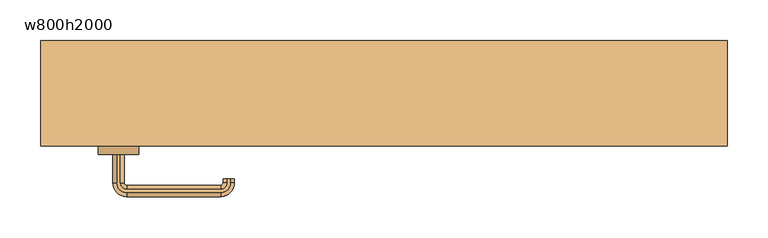
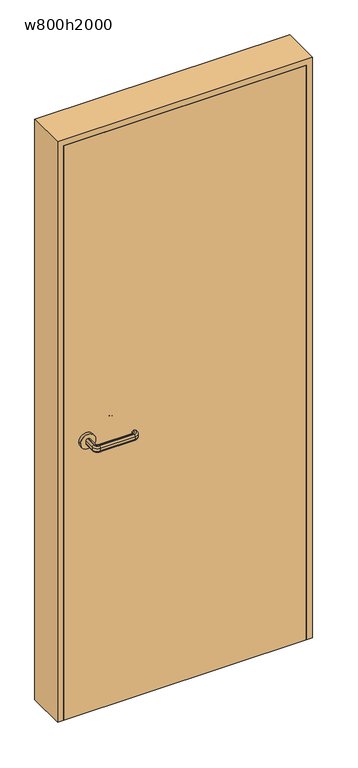
"""IFC4 building model written with IfcOpenShell, lengths in millimetres: door geometry, w800h2000."""

from ifc_helpers import new_model, si_unit, point, frame, frame_2d, origin, origin_with_axes, place, context, project, spatial, polyline, circle_curve, ellipse_curve, trimmed, segment, composite_curve, outline, extrude, source, transform, mapped, element, save
from ifc_brep_helpers import plane_surface, cylinder_surface, revolved_surface, advanced_brep


def w800h2000_a6bf7241(model_context):
    return source(origin(), model_context, "Body", "SolidModel", [
        advanced_brep(
        [(-327.0, -74.5, 960.0), (-323.0, -74.5, 960.0), (-318.0, -74.5, 955.0), (-318.0, -74.5, 945.0477623), (-323.0, -74.5, 940.0477623), (-327.0, -74.5, 940.0477623), (-332.0, -74.5, 945.0477623), (-332.0, -74.5, 955.0), (-332.0, -109.5, 955.0), (-327.0, -109.5, 960.0), (-332.0, -109.5, 945.0477623), (-327.0, -109.5, 940.0477623), (-323.0, -109.5, 940.0477623), (-315.0, -117.5, 940.0477623), (-200.0, -117.5, 940.0477623), (-192.0, -109.5, 940.0477623), (-192.0, -104.5, 940.0477623), (-188.0, -104.5, 940.0477623), (-188.0, -109.5, 940.0477623), (-200.0, -121.5, 940.0477623), (-315.0, -121.5, 940.0477623), (-318.0, -109.5, 945.0477623), (-318.0, -109.5, 955.0), (-323.0, -109.5, 960.0), (-315.0, -121.5, 960.0), (-200.0, -121.5, 960.0), (-188.0, -109.5, 960.0), (-188.0, -104.5, 960.0), (-192.0, -104.5, 960.0), (-192.0, -109.5, 960.0), (-200.0, -117.5, 960.0), (-315.0, -117.5, 960.0), (-315.0, -126.5, 955.0), (-315.0, -126.5, 945.0477623), (-315.0, -112.5, 945.0477623), (-315.0, -112.5, 955.0), (-200.0, -126.5, 955.0), (-200.0, -126.5, 945.0477623), (-200.0, -112.5, 945.0477623), (-200.0, -112.5, 955.0), (-183.0, -109.5, 955.0), (-183.0, -109.5, 945.0477623), (-197.0, -109.5, 945.0477623), (-197.0, -109.5, 955.0), (-183.0, -104.5, 955.0), (-183.0, -104.5, 945.0477623), (-197.0, -104.5, 945.0477623), (-197.0, -104.5, 955.0)],
        [
            (0, 1),
            (1, 2, circle_curve(frame((-323.0, -74.5, 955.0), z_axis=(0.0, 1.0, 0.0), x_axis=(-1.0, 0.0, 0.0)), 5.0)),
            (2, 3),
            (3, 4, circle_curve(frame((-323.0, -74.5, 945.0477623), z_axis=(0.0, 1.0, 0.0), x_axis=(-1.0, 0.0, 0.0)), 5.0)),
            (4, 5),
            (5, 6, circle_curve(frame((-327.0, -74.5, 945.0477623), z_axis=(0.0, 1.0, 0.0), x_axis=(-1.0, 0.0, 0.0)), 5.0)),
            (6, 7),
            (7, 0, circle_curve(frame((-327.0, -74.5, 955.0), z_axis=(0.0, 1.0, 0.0), x_axis=(-1.0, 0.0, 0.0)), 5.0)),
            (7, 8),
            (8, 9, circle_curve(frame((-327.0, -109.5, 955.0), z_axis=(0.0, 1.0, 0.0), x_axis=(-1.0, 0.0, 0.0)), 5.0)),
            (9, 0),
            (6, 10),
            (10, 8),
            (5, 11),
            (11, 10, circle_curve(frame((-327.0, -109.5, 945.0477623), z_axis=(0.0, 1.0, 0.0), x_axis=(-1.0, 0.0, 0.0)), 5.0)),
            (4, 12),
            (12, 13, circle_curve(frame((-315.0, -109.5, 940.0477623), z_axis=(0.0, 0.0, 1.0), x_axis=(-1.0, 0.0, 0.0)), 8.0)),
            (13, 14),
            (14, 15, circle_curve(frame((-200.0, -109.5, 940.0477623), z_axis=(0.0, 0.0, 1.0), x_axis=(0.0, -1.0, 0.0)), 8.0)),
            (15, 16),
            (16, 17),
            (17, 18),
            (18, 19, circle_curve(frame((-200.0, -109.5, 940.0477623), z_axis=(0.0, 0.0, -1.0), x_axis=(0.0, -1.0, 0.0)), 12.0)),
            (19, 20),
            (20, 11, circle_curve(frame((-315.0, -109.5, 940.0477623), z_axis=(0.0, 0.0, -1.0), x_axis=(-1.0, 0.0, 0.0)), 12.0)),
            (3, 21),
            (21, 12, circle_curve(frame((-323.0, -109.5, 945.0477623), z_axis=(0.0, 1.0, 0.0), x_axis=(-1.0, 0.0, 0.0)), 5.0)),
            (2, 22),
            (22, 21),
            (1, 23),
            (23, 22, circle_curve(frame((-323.0, -109.5, 955.0), z_axis=(0.0, 1.0, 0.0), x_axis=(-1.0, 0.0, 0.0)), 5.0)),
            (9, 24, circle_curve(frame((-315.0, -109.5, 960.0), z_axis=(0.0, 0.0, 1.0), x_axis=(-1.0, 0.0, 0.0)), 12.0)),
            (24, 25),
            (25, 26, circle_curve(frame((-200.0, -109.5, 960.0), z_axis=(0.0, 0.0, 1.0), x_axis=(0.0, -1.0, 0.0)), 12.0)),
            (26, 27),
            (27, 28),
            (28, 29),
            (29, 30, circle_curve(frame((-200.0, -109.5, 960.0), z_axis=(0.0, 0.0, -1.0), x_axis=(0.0, -1.0, 0.0)), 8.0)),
            (30, 31),
            (31, 23, circle_curve(frame((-315.0, -109.5, 960.0), z_axis=(0.0, 0.0, -1.0), x_axis=(-1.0, 0.0, 0.0)), 8.0)),
            (32, 24, circle_curve(frame((-315.0, -121.5, 955.0), z_axis=(-1.0, 0.0, 0.0), x_axis=(0.0, -1.0, 0.0)), 5.0)),
            (8, 32, circle_curve(frame((-315.0, -109.5, 955.0), z_axis=(0.0, 0.0, 1.0), x_axis=(-1.0, 0.0, 0.0)), 17.0)),
            (33, 32),
            (10, 33, circle_curve(frame((-315.0, -109.5, 945.0477623), z_axis=(0.0, 0.0, 1.0), x_axis=(-1.0, 0.0, 0.0)), 17.0)),
            (20, 33, circle_curve(frame((-315.0, -121.5, 945.0477623), z_axis=(-1.0, 0.0, 0.0), x_axis=(0.0, -1.0, 0.0)), 5.0)),
            (34, 13, circle_curve(frame((-315.0, -117.5, 945.0477623), z_axis=(-1.0, 0.0, 0.0), x_axis=(0.0, -1.0, 0.0)), 5.0)),
            (21, 34, circle_curve(frame((-315.0, -109.5, 945.0477623), z_axis=(0.0, 0.0, 1.0), x_axis=(-1.0, 0.0, 0.0)), 3.0)),
            (35, 34),
            (22, 35, circle_curve(frame((-315.0, -109.5, 955.0), z_axis=(0.0, 0.0, 1.0), x_axis=(-1.0, 0.0, 0.0)), 3.0)),
            (31, 35, circle_curve(frame((-315.0, -117.5, 955.0), z_axis=(-1.0, 0.0, 0.0), x_axis=(0.0, -1.0, 0.0)), 5.0)),
            (32, 36),
            (36, 25, circle_curve(frame((-200.0, -121.5, 955.0), z_axis=(-1.0, 0.0, 0.0), x_axis=(0.0, -1.0, 0.0)), 5.0)),
            (33, 37),
            (37, 36),
            (19, 37, circle_curve(frame((-200.0, -121.5, 945.0477623), z_axis=(-1.0, 0.0, 0.0), x_axis=(0.0, -1.0, 0.0)), 5.0)),
            (34, 38),
            (38, 14, circle_curve(frame((-200.0, -117.5, 945.0477623), z_axis=(-1.0, 0.0, 0.0), x_axis=(0.0, -1.0, 0.0)), 5.0)),
            (35, 39),
            (39, 38),
            (30, 39, circle_curve(frame((-200.0, -117.5, 955.0), z_axis=(-1.0, 0.0, 0.0), x_axis=(0.0, -1.0, 0.0)), 5.0)),
            (40, 26, circle_curve(frame((-188.0, -109.5, 955.0), z_axis=(0.0, -1.0, 0.0), x_axis=(1.0, 0.0, 0.0)), 5.0)),
            (36, 40, circle_curve(frame((-200.0, -109.5, 955.0), z_axis=(0.0, 0.0, 1.0), x_axis=(0.0, -1.0, 0.0)), 17.0)),
            (41, 40),
            (37, 41, circle_curve(frame((-200.0, -109.5, 945.0477623), z_axis=(0.0, 0.0, 1.0), x_axis=(0.0, -1.0, 0.0)), 17.0)),
            (18, 41, circle_curve(frame((-188.0, -109.5, 945.0477623), z_axis=(0.0, -1.0, 0.0), x_axis=(1.0, 0.0, 0.0)), 5.0)),
            (42, 15, circle_curve(frame((-192.0, -109.5, 945.0477623), z_axis=(0.0, -1.0, 0.0), x_axis=(1.0, 0.0, 0.0)), 5.0)),
            (38, 42, circle_curve(frame((-200.0, -109.5, 945.0477623), z_axis=(0.0, 0.0, 1.0), x_axis=(0.0, -1.0, 0.0)), 3.0)),
            (43, 42),
            (39, 43, circle_curve(frame((-200.0, -109.5, 955.0), z_axis=(0.0, 0.0, 1.0), x_axis=(0.0, -1.0, 0.0)), 3.0)),
            (29, 43, circle_curve(frame((-192.0, -109.5, 955.0), z_axis=(0.0, -1.0, 0.0), x_axis=(1.0, 0.0, 0.0)), 5.0)),
            (27, 44, circle_curve(frame((-188.0, -104.5, 955.0), z_axis=(0.0, 1.0, 0.0), x_axis=(1.0, 0.0, 0.0)), 5.0)),
            (44, 45),
            (45, 17, circle_curve(frame((-188.0, -104.5, 945.0477623), z_axis=(0.0, 1.0, 0.0), x_axis=(1.0, 0.0, 0.0)), 5.0)),
            (16, 46, circle_curve(frame((-192.0, -104.5, 945.0477623), z_axis=(0.0, 1.0, 0.0), x_axis=(1.0, 0.0, 0.0)), 5.0)),
            (46, 47),
            (47, 28, circle_curve(frame((-192.0, -104.5, 955.0), z_axis=(0.0, 1.0, 0.0), x_axis=(1.0, 0.0, 0.0)), 5.0)),
            (40, 44),
            (41, 45),
            (42, 46),
            (43, 47),
        ],
        [
            plane_surface(frame((-335.198039, -74.5, 950.0), z_axis=(0.0, 1.0, 0.0), x_axis=(0.0, 0.0, 1.0))),
            cylinder_surface(frame((-327.0, -74.5, 955.0), z_axis=(0.0, 1.0, 0.0), x_axis=(-1.0, 0.0, 0.0)), 5.0),
            plane_surface(frame((-332.0, -74.5, 955.0), z_axis=(-1.0, 0.0, 0.0), x_axis=(0.0, -1.0, 0.0))),
            cylinder_surface(frame((-327.0, -74.5, 945.0477623), z_axis=(0.0, 1.0, 0.0), x_axis=(-1.0, 0.0, 0.0)), 5.0),
            plane_surface(frame((-327.0, -74.5, 940.0477623), z_axis=(0.0, 0.0, -1.0), x_axis=(0.0, -1.0, 0.0))),
            cylinder_surface(frame((-323.0, -74.5, 945.0477623), z_axis=(0.0, 1.0, 0.0), x_axis=(-1.0, 0.0, 0.0)), 5.0),
            plane_surface(frame((-318.0, -74.5, 945.0477623), z_axis=(1.0, 0.0, 0.0), x_axis=(0.0, -1.0, 0.0))),
            cylinder_surface(frame((-323.0, -74.5, 955.0), z_axis=(0.0, 1.0, 0.0), x_axis=(-1.0, 0.0, 0.0)), 5.0),
            plane_surface(frame((-323.0, -74.5, 960.0), z_axis=(0.0, 0.0, 1.0), x_axis=(0.0, -1.0, 0.0))),
            revolved_surface(trimmed(ellipse_curve(frame((-327.0, -109.5, 955.0), z_axis=(0.0, -1.0, 0.0), x_axis=(-1.0, 0.0, 0.0)), 5.0, 5.0), [point((-327.0, -109.5, 960.0))], [point((-332.0, -109.5, 955.0))], True, "CARTESIAN"), (-315.0, -109.5, 950.0), (0.0, 0.0, -1.0)),
            cylinder_surface(frame((-315.0, -109.5, 950.0), z_axis=(0.0, 0.0, -1.0), x_axis=(-1.0, 0.0, 0.0)), 17.0),
            revolved_surface(trimmed(ellipse_curve(frame((-327.0, -109.5, 945.0477623), z_axis=(0.0, -1.0, 0.0), x_axis=(-1.0, 0.0, 0.0)), 5.0, 5.0), [point((-332.0, -109.5, 945.0477623))], [point((-327.0, -109.5, 940.0477623))], True, "CARTESIAN"), (-315.0, -109.5, 950.0), (0.0, 0.0, -1.0)),
            revolved_surface(trimmed(ellipse_curve(frame((-323.0, -109.5, 945.0477623), z_axis=(0.0, -1.0, 0.0), x_axis=(-1.0, 0.0, 0.0)), 5.0, 5.0), [point((-323.0, -109.5, 940.0477623))], [point((-318.0, -109.5, 945.0477623))], True, "CARTESIAN"), (-315.0, -109.5, 950.0), (0.0, 0.0, -1.0)),
            revolved_surface(polyline([(-318.0, -109.5, 945.0477623), (-318.0, -109.5, 955.0)]), (-315.0, -109.5, 950.0), (0.0, 0.0, -1.0)),
            revolved_surface(trimmed(ellipse_curve(frame((-323.0, -109.5, 955.0), z_axis=(0.0, -1.0, 0.0), x_axis=(-1.0, 0.0, 0.0)), 5.0, 5.0), [point((-318.0, -109.5, 955.0))], [point((-323.0, -109.5, 960.0))], True, "CARTESIAN"), (-315.0, -109.5, 950.0), (0.0, 0.0, -1.0)),
            cylinder_surface(frame((-315.0, -121.5, 955.0), z_axis=(-1.0, 0.0, 0.0), x_axis=(0.0, -1.0, 0.0)), 5.0),
            plane_surface(frame((-315.0, -126.5, 955.0), z_axis=(0.0, -1.0, 0.0), x_axis=(1.0, 0.0, 0.0))),
            cylinder_surface(frame((-315.0, -121.5, 945.0477623), z_axis=(-1.0, 0.0, 0.0), x_axis=(0.0, -1.0, 0.0)), 5.0),
            cylinder_surface(frame((-315.0, -117.5, 945.0477623), z_axis=(-1.0, 0.0, 0.0), x_axis=(0.0, -1.0, 0.0)), 5.0),
            plane_surface(frame((-315.0, -112.5, 945.0477623), z_axis=(0.0, 1.0, 0.0), x_axis=(1.0, 0.0, 0.0))),
            cylinder_surface(frame((-315.0, -117.5, 955.0), z_axis=(-1.0, 0.0, 0.0), x_axis=(0.0, -1.0, 0.0)), 5.0),
            revolved_surface(trimmed(ellipse_curve(frame((-200.0, -121.5, 955.0), z_axis=(1.0, 0.0, 0.0), x_axis=(0.0, -1.0, 0.0)), 5.0, 5.0), [point((-200.0, -121.5, 960.0))], [point((-200.0, -126.5, 955.0))], True, "CARTESIAN"), (-200.0, -109.5, 950.0), (0.0, 0.0, -1.0)),
            cylinder_surface(frame((-200.0, -109.5, 950.0), z_axis=(0.0, 0.0, -1.0), x_axis=(0.0, -1.0, 0.0)), 17.0),
            revolved_surface(trimmed(ellipse_curve(frame((-200.0, -121.5, 945.0477623), z_axis=(1.0, 0.0, 0.0), x_axis=(0.0, -1.0, 0.0)), 5.0, 5.0), [point((-200.0, -126.5, 945.0477623))], [point((-200.0, -121.5, 940.0477623))], True, "CARTESIAN"), (-200.0, -109.5, 950.0), (0.0, 0.0, -1.0)),
            revolved_surface(trimmed(ellipse_curve(frame((-200.0, -117.5, 945.0477623), z_axis=(1.0, 0.0, 0.0), x_axis=(0.0, -1.0, 0.0)), 5.0, 5.0), [point((-200.0, -117.5, 940.0477623))], [point((-200.0, -112.5, 945.0477623))], True, "CARTESIAN"), (-200.0, -109.5, 950.0), (0.0, 0.0, -1.0)),
            revolved_surface(polyline([(-200.0, -112.5, 945.0477623), (-200.0, -112.5, 955.0)]), (-200.0, -109.5, 950.0), (0.0, 0.0, -1.0)),
            revolved_surface(trimmed(ellipse_curve(frame((-200.0, -117.5, 955.0), z_axis=(1.0, 0.0, 0.0), x_axis=(0.0, -1.0, 0.0)), 5.0, 5.0), [point((-200.0, -112.5, 955.0))], [point((-200.0, -117.5, 960.0))], True, "CARTESIAN"), (-200.0, -109.5, 950.0), (0.0, 0.0, -1.0)),
            plane_surface(frame((-200.198039, -104.5, 950.0), z_axis=(0.0, 1.0, 0.0), x_axis=(0.0, 0.0, -1.0))),
            cylinder_surface(frame((-188.0, -109.5, 955.0), z_axis=(0.0, -1.0, 0.0), x_axis=(1.0, 0.0, 0.0)), 5.0),
            plane_surface(frame((-183.0, -109.5, 955.0), z_axis=(1.0, 0.0, 0.0), x_axis=(0.0, 1.0, 0.0))),
            cylinder_surface(frame((-188.0, -109.5, 945.0477623), z_axis=(0.0, -1.0, 0.0), x_axis=(1.0, 0.0, 0.0)), 5.0),
            cylinder_surface(frame((-192.0, -109.5, 945.0477623), z_axis=(0.0, -1.0, 0.0), x_axis=(1.0, 0.0, 0.0)), 5.0),
            plane_surface(frame((-197.0, -109.5, 945.0477623), z_axis=(-1.0, 0.0, 0.0), x_axis=(0.0, 1.0, 0.0))),
            cylinder_surface(frame((-192.0, -109.5, 955.0), z_axis=(0.0, -1.0, 0.0), x_axis=(1.0, 0.0, 0.0)), 5.0),
        ],
        [
            (0, [[1, 2, 3, 4, 5, 6, 7, 8]]),
            (1, [[9, 10, 11, -8]]),
            (2, [[12, 13, -9, -7]]),
            (3, [[14, 15, -12, -6]]),
            (4, [[16, 17, 18, 19, 20, 21, 22, 23, 24, 25, -14, -5]]),
            (5, [[26, 27, -16, -4]]),
            (6, [[28, 29, -26, -3]]),
            (7, [[30, 31, -28, -2]]),
            (8, [[-11, 32, 33, 34, 35, 36, 37, 38, 39, 40, -30, -1]]),
            (9, [[41, -32, -10, 42]]),
            (10, [[43, -42, -13, 44]]),
            (11, [[45, -44, -15, -25]]),
            (12, [[46, -17, -27, 47]]),
            (13, [[48, -47, -29, 49]]),
            (14, [[50, -49, -31, -40]]),
            (15, [[51, 52, -33, -41]]),
            (16, [[53, 54, -51, -43]]),
            (17, [[-24, 55, -53, -45]]),
            (18, [[56, 57, -18, -46]]),
            (19, [[58, 59, -56, -48]]),
            (20, [[-39, 60, -58, -50]]),
            (21, [[61, -34, -52, 62]]),
            (22, [[63, -62, -54, 64]]),
            (23, [[65, -64, -55, -23]]),
            (24, [[66, -19, -57, 67]]),
            (25, [[68, -67, -59, 69]]),
            (26, [[70, -69, -60, -38]]),
            (27, [[71, 72, 73, -21, 74, 75, 76, -36]]),
            (28, [[77, -71, -35, -61]]),
            (29, [[78, -72, -77, -63]]),
            (30, [[-22, -73, -78, -65]]),
            (31, [[79, -74, -20, -66]]),
            (32, [[80, -75, -79, -68]]),
            (33, [[-37, -76, -80, -70]]),
        ],
    ),
        advanced_brep(
        [(-323.0, -24.5, 940.0), (-318.0, -24.5, 945.0), (-318.0, -24.5, 955.0), (-323.0, -24.5, 960.0), (-327.0, -24.5, 960.0), (-332.0, -24.5, 955.0), (-332.0, -24.5, 945.0), (-327.0, -24.5, 940.0), (-327.0, 10.5, 940.0), (-315.0, 22.5, 940.0), (-200.0, 22.5, 940.0), (-188.0, 10.5, 940.0), (-188.0, 5.5, 940.0), (-192.0, 5.5, 940.0), (-192.0, 10.5, 940.0), (-200.0, 18.5, 940.0), (-315.0, 18.5, 940.0), (-323.0, 10.5, 940.0), (-332.0, 10.5, 945.0), (-332.0, 10.5, 955.0), (-327.0, 10.5, 960.0), (-323.0, 10.5, 960.0), (-315.0, 18.5, 960.0), (-200.0, 18.5, 960.0), (-192.0, 10.5, 960.0), (-192.0, 5.5, 960.0), (-188.0, 5.5, 960.0), (-188.0, 10.5, 960.0), (-200.0, 22.5, 960.0), (-315.0, 22.5, 960.0), (-318.0, 10.5, 955.0), (-318.0, 10.5, 945.0), (-315.0, 27.5, 945.0), (-315.0, 27.5, 955.0), (-315.0, 13.5, 955.0), (-315.0, 13.5, 945.0), (-200.0, 27.5, 945.0), (-200.0, 27.5, 955.0), (-200.0, 13.5, 955.0), (-200.0, 13.5, 945.0), (-183.0, 10.5, 945.0), (-183.0, 10.5, 955.0), (-197.0, 10.5, 955.0), (-197.0, 10.5, 945.0), (-183.0, 5.5, 945.0), (-183.0, 5.5, 955.0), (-197.0, 5.5, 955.0), (-197.0, 5.5, 945.0)],
        [
            (0, 1, circle_curve(frame((-323.0, -24.5, 945.0), z_axis=(0.0, -1.0, 0.0), x_axis=(1.0, 0.0, 0.0)), 5.0)),
            (1, 2),
            (2, 3, circle_curve(frame((-323.0, -24.5, 955.0), z_axis=(0.0, -1.0, 0.0), x_axis=(1.0, 0.0, 0.0)), 5.0)),
            (3, 4),
            (4, 5, circle_curve(frame((-327.0, -24.5, 955.0), z_axis=(0.0, -1.0, 0.0), x_axis=(1.0, 0.0, 0.0)), 5.0)),
            (5, 6),
            (6, 7, circle_curve(frame((-327.0, -24.5, 945.0), z_axis=(0.0, -1.0, 0.0), x_axis=(1.0, 0.0, 0.0)), 5.0)),
            (7, 0),
            (7, 8),
            (8, 9, circle_curve(frame((-315.0, 10.5, 940.0), z_axis=(0.0, 0.0, -1.0), x_axis=(-1.0, 0.0, 0.0)), 12.0)),
            (9, 10),
            (10, 11, circle_curve(frame((-200.0, 10.5, 940.0), z_axis=(0.0, 0.0, -1.0), x_axis=(0.0, 1.0, 0.0)), 12.0)),
            (11, 12),
            (12, 13),
            (13, 14),
            (14, 15, circle_curve(frame((-200.0, 10.5, 940.0), z_axis=(0.0, 0.0, 1.0), x_axis=(0.0, 1.0, 0.0)), 8.0)),
            (15, 16),
            (16, 17, circle_curve(frame((-315.0, 10.5, 940.0), z_axis=(0.0, 0.0, 1.0), x_axis=(-1.0, 0.0, 0.0)), 8.0)),
            (17, 0),
            (6, 18),
            (18, 8, circle_curve(frame((-327.0, 10.5, 945.0), z_axis=(0.0, -1.0, 0.0), x_axis=(1.0, 0.0, 0.0)), 5.0)),
            (5, 19),
            (19, 18),
            (4, 20),
            (20, 19, circle_curve(frame((-327.0, 10.5, 955.0), z_axis=(0.0, -1.0, 0.0), x_axis=(1.0, 0.0, 0.0)), 5.0)),
            (3, 21),
            (21, 22, circle_curve(frame((-315.0, 10.5, 960.0), z_axis=(0.0, 0.0, -1.0), x_axis=(-1.0, 0.0, 0.0)), 8.0)),
            (22, 23),
            (23, 24, circle_curve(frame((-200.0, 10.5, 960.0), z_axis=(0.0, 0.0, -1.0), x_axis=(0.0, 1.0, 0.0)), 8.0)),
            (24, 25),
            (25, 26),
            (26, 27),
            (27, 28, circle_curve(frame((-200.0, 10.5, 960.0), z_axis=(0.0, 0.0, 1.0), x_axis=(0.0, 1.0, 0.0)), 12.0)),
            (28, 29),
            (29, 20, circle_curve(frame((-315.0, 10.5, 960.0), z_axis=(0.0, 0.0, 1.0), x_axis=(-1.0, 0.0, 0.0)), 12.0)),
            (2, 30),
            (30, 21, circle_curve(frame((-323.0, 10.5, 955.0), z_axis=(0.0, -1.0, 0.0), x_axis=(1.0, 0.0, 0.0)), 5.0)),
            (1, 31),
            (31, 30),
            (17, 31, circle_curve(frame((-323.0, 10.5, 945.0), z_axis=(0.0, -1.0, 0.0), x_axis=(1.0, 0.0, 0.0)), 5.0)),
            (32, 9, circle_curve(frame((-315.0, 22.5, 945.0), z_axis=(-1.0, 0.0, 0.0), x_axis=(0.0, -1.0, 0.0)), 5.0)),
            (18, 32, circle_curve(frame((-315.0, 10.5, 945.0), z_axis=(0.0, 0.0, -1.0), x_axis=(-1.0, 0.0, 0.0)), 17.0)),
            (33, 32),
            (19, 33, circle_curve(frame((-315.0, 10.5, 955.0), z_axis=(0.0, 0.0, -1.0), x_axis=(-1.0, 0.0, 0.0)), 17.0)),
            (29, 33, circle_curve(frame((-315.0, 22.5, 955.0), z_axis=(-1.0, 0.0, 0.0), x_axis=(0.0, -1.0, 0.0)), 5.0)),
            (34, 22, circle_curve(frame((-315.0, 18.5, 955.0), z_axis=(-1.0, 0.0, 0.0), x_axis=(0.0, -1.0, 0.0)), 5.0)),
            (30, 34, circle_curve(frame((-315.0, 10.5, 955.0), z_axis=(0.0, 0.0, -1.0), x_axis=(-1.0, 0.0, 0.0)), 3.0)),
            (35, 34),
            (31, 35, circle_curve(frame((-315.0, 10.5, 945.0), z_axis=(0.0, 0.0, -1.0), x_axis=(-1.0, 0.0, 0.0)), 3.0)),
            (16, 35, circle_curve(frame((-315.0, 18.5, 945.0), z_axis=(-1.0, 0.0, 0.0), x_axis=(0.0, -1.0, 0.0)), 5.0)),
            (32, 36),
            (36, 10, circle_curve(frame((-200.0, 22.5, 945.0), z_axis=(-1.0, 0.0, 0.0), x_axis=(0.0, -1.0, 0.0)), 5.0)),
            (33, 37),
            (37, 36),
            (28, 37, circle_curve(frame((-200.0, 22.5, 955.0), z_axis=(-1.0, 0.0, 0.0), x_axis=(0.0, -1.0, 0.0)), 5.0)),
            (34, 38),
            (38, 23, circle_curve(frame((-200.0, 18.5, 955.0), z_axis=(-1.0, 0.0, 0.0), x_axis=(0.0, -1.0, 0.0)), 5.0)),
            (35, 39),
            (39, 38),
            (15, 39, circle_curve(frame((-200.0, 18.5, 945.0), z_axis=(-1.0, 0.0, 0.0), x_axis=(0.0, -1.0, 0.0)), 5.0)),
            (40, 11, circle_curve(frame((-188.0, 10.5, 945.0), z_axis=(0.0, 1.0, 0.0), x_axis=(-1.0, 0.0, 0.0)), 5.0)),
            (36, 40, circle_curve(frame((-200.0, 10.5, 945.0), z_axis=(0.0, 0.0, -1.0), x_axis=(0.0, 1.0, 0.0)), 17.0)),
            (41, 40),
            (37, 41, circle_curve(frame((-200.0, 10.5, 955.0), z_axis=(0.0, 0.0, -1.0), x_axis=(0.0, 1.0, 0.0)), 17.0)),
            (27, 41, circle_curve(frame((-188.0, 10.5, 955.0), z_axis=(0.0, 1.0, 0.0), x_axis=(-1.0, 0.0, 0.0)), 5.0)),
            (42, 24, circle_curve(frame((-192.0, 10.5, 955.0), z_axis=(0.0, 1.0, 0.0), x_axis=(-1.0, 0.0, 0.0)), 5.0)),
            (38, 42, circle_curve(frame((-200.0, 10.5, 955.0), z_axis=(0.0, 0.0, -1.0), x_axis=(0.0, 1.0, 0.0)), 3.0)),
            (43, 42),
            (39, 43, circle_curve(frame((-200.0, 10.5, 945.0), z_axis=(0.0, 0.0, -1.0), x_axis=(0.0, 1.0, 0.0)), 3.0)),
            (14, 43, circle_curve(frame((-192.0, 10.5, 945.0), z_axis=(0.0, 1.0, 0.0), x_axis=(-1.0, 0.0, 0.0)), 5.0)),
            (12, 44, circle_curve(frame((-188.0, 5.5, 945.0), z_axis=(0.0, -1.0, 0.0), x_axis=(-1.0, 0.0, 0.0)), 5.0)),
            (44, 45),
            (45, 26, circle_curve(frame((-188.0, 5.5, 955.0), z_axis=(0.0, -1.0, 0.0), x_axis=(-1.0, 0.0, 0.0)), 5.0)),
            (25, 46, circle_curve(frame((-192.0, 5.5, 955.0), z_axis=(0.0, -1.0, 0.0), x_axis=(-1.0, 0.0, 0.0)), 5.0)),
            (46, 47),
            (47, 13, circle_curve(frame((-192.0, 5.5, 945.0), z_axis=(0.0, -1.0, 0.0), x_axis=(-1.0, 0.0, 0.0)), 5.0)),
            (40, 44),
            (41, 45),
            (42, 46),
            (43, 47),
        ],
        [
            plane_surface(frame((-335.198039, -24.5, 950.0), z_axis=(0.0, -1.0, 0.0), x_axis=(0.0, 0.0, -1.0))),
            plane_surface(frame((-323.0, -24.5, 940.0), z_axis=(0.0, 0.0, -1.0), x_axis=(0.0, 1.0, 0.0))),
            cylinder_surface(frame((-327.0, -24.5, 945.0), z_axis=(0.0, -1.0, 0.0), x_axis=(1.0, 0.0, 0.0)), 5.0),
            plane_surface(frame((-332.0, -24.5, 945.0), z_axis=(-1.0, 0.0, 0.0), x_axis=(0.0, 1.0, 0.0))),
            cylinder_surface(frame((-327.0, -24.5, 955.0), z_axis=(0.0, -1.0, 0.0), x_axis=(1.0, 0.0, 0.0)), 5.0),
            plane_surface(frame((-327.0, -24.5, 960.0), z_axis=(0.0, 0.0, 1.0), x_axis=(0.0, 1.0, 0.0))),
            cylinder_surface(frame((-323.0, -24.5, 955.0), z_axis=(0.0, -1.0, 0.0), x_axis=(1.0, 0.0, 0.0)), 5.0),
            plane_surface(frame((-318.0, -24.5, 955.0), z_axis=(1.0, 0.0, 0.0), x_axis=(0.0, 1.0, 0.0))),
            cylinder_surface(frame((-323.0, -24.5, 945.0), z_axis=(0.0, -1.0, 0.0), x_axis=(1.0, 0.0, 0.0)), 5.0),
            revolved_surface(trimmed(ellipse_curve(frame((-327.0, 10.5, 945.0), z_axis=(0.0, 1.0, 0.0), x_axis=(1.0, 0.0, 0.0)), 5.0, 5.0), [point((-327.0, 10.5, 940.0))], [point((-332.0, 10.5, 945.0))], True, "CARTESIAN"), (-315.0, 10.5, 950.0), (0.0, 0.0, 1.0)),
            cylinder_surface(frame((-315.0, 10.5, 950.0), z_axis=(0.0, 0.0, 1.0), x_axis=(-1.0, 0.0, 0.0)), 17.0),
            revolved_surface(trimmed(ellipse_curve(frame((-327.0, 10.5, 955.0), z_axis=(0.0, 1.0, 0.0), x_axis=(1.0, 0.0, 0.0)), 5.0, 5.0), [point((-332.0, 10.5, 955.0))], [point((-327.0, 10.5, 960.0))], True, "CARTESIAN"), (-315.0, 10.5, 950.0), (0.0, 0.0, 1.0)),
            revolved_surface(trimmed(ellipse_curve(frame((-323.0, 10.5, 955.0), z_axis=(0.0, 1.0, 0.0), x_axis=(1.0, 0.0, 0.0)), 5.0, 5.0), [point((-323.0, 10.5, 960.0))], [point((-318.0, 10.5, 955.0))], True, "CARTESIAN"), (-315.0, 10.5, 950.0), (0.0, 0.0, 1.0)),
            revolved_surface(polyline([(-318.0, 10.5, 955.0), (-318.0, 10.5, 945.0)]), (-315.0, 10.5, 950.0), (0.0, 0.0, 1.0)),
            revolved_surface(trimmed(ellipse_curve(frame((-323.0, 10.5, 945.0), z_axis=(0.0, 1.0, 0.0), x_axis=(1.0, 0.0, 0.0)), 5.0, 5.0), [point((-318.0, 10.5, 945.0))], [point((-323.0, 10.5, 940.0))], True, "CARTESIAN"), (-315.0, 10.5, 950.0), (0.0, 0.0, 1.0)),
            cylinder_surface(frame((-315.0, 22.5, 945.0), z_axis=(-1.0, 0.0, 0.0), x_axis=(0.0, -1.0, 0.0)), 5.0),
            plane_surface(frame((-315.0, 27.5, 945.0), z_axis=(0.0, 1.0, 0.0), x_axis=(1.0, 0.0, 0.0))),
            cylinder_surface(frame((-315.0, 22.5, 955.0), z_axis=(-1.0, 0.0, 0.0), x_axis=(0.0, -1.0, 0.0)), 5.0),
            cylinder_surface(frame((-315.0, 18.5, 955.0), z_axis=(-1.0, 0.0, 0.0), x_axis=(0.0, -1.0, 0.0)), 5.0),
            plane_surface(frame((-315.0, 13.5, 955.0), z_axis=(0.0, -1.0, 0.0), x_axis=(1.0, 0.0, 0.0))),
            cylinder_surface(frame((-315.0, 18.5, 945.0), z_axis=(-1.0, 0.0, 0.0), x_axis=(0.0, -1.0, 0.0)), 5.0),
            revolved_surface(trimmed(ellipse_curve(frame((-200.0, 22.5, 945.0), z_axis=(1.0, 0.0, 0.0), x_axis=(0.0, -1.0, 0.0)), 5.0, 5.0), [point((-200.0, 22.5, 940.0))], [point((-200.0, 27.5, 945.0))], True, "CARTESIAN"), (-200.0, 10.5, 950.0), (0.0, 0.0, 1.0)),
            cylinder_surface(frame((-200.0, 10.5, 950.0), z_axis=(0.0, 0.0, 1.0), x_axis=(0.0, 1.0, 0.0)), 17.0),
            revolved_surface(trimmed(ellipse_curve(frame((-200.0, 22.5, 955.0), z_axis=(1.0, 0.0, 0.0), x_axis=(0.0, -1.0, 0.0)), 5.0, 5.0), [point((-200.0, 27.5, 955.0))], [point((-200.0, 22.5, 960.0))], True, "CARTESIAN"), (-200.0, 10.5, 950.0), (0.0, 0.0, 1.0)),
            revolved_surface(trimmed(ellipse_curve(frame((-200.0, 18.5, 955.0), z_axis=(1.0, 0.0, 0.0), x_axis=(0.0, -1.0, 0.0)), 5.0, 5.0), [point((-200.0, 18.5, 960.0))], [point((-200.0, 13.5, 955.0))], True, "CARTESIAN"), (-200.0, 10.5, 950.0), (0.0, 0.0, 1.0)),
            revolved_surface(polyline([(-200.0, 13.5, 955.0), (-200.0, 13.5, 945.0)]), (-200.0, 10.5, 950.0), (0.0, 0.0, 1.0)),
            revolved_surface(trimmed(ellipse_curve(frame((-200.0, 18.5, 945.0), z_axis=(1.0, 0.0, 0.0), x_axis=(0.0, -1.0, 0.0)), 5.0, 5.0), [point((-200.0, 13.5, 945.0))], [point((-200.0, 18.5, 940.0))], True, "CARTESIAN"), (-200.0, 10.5, 950.0), (0.0, 0.0, 1.0)),
            plane_surface(frame((-200.198039, 5.5, 950.0), z_axis=(0.0, -1.0, 0.0), x_axis=(0.0, 0.0, 1.0))),
            cylinder_surface(frame((-188.0, 10.5, 945.0), z_axis=(0.0, 1.0, 0.0), x_axis=(-1.0, 0.0, 0.0)), 5.0),
            plane_surface(frame((-183.0, 10.5, 945.0), z_axis=(1.0, 0.0, 0.0), x_axis=(0.0, -1.0, 0.0))),
            cylinder_surface(frame((-188.0, 10.5, 955.0), z_axis=(0.0, 1.0, 0.0), x_axis=(-1.0, 0.0, 0.0)), 5.0),
            cylinder_surface(frame((-192.0, 10.5, 955.0), z_axis=(0.0, 1.0, 0.0), x_axis=(-1.0, 0.0, 0.0)), 5.0),
            plane_surface(frame((-197.0, 10.5, 955.0), z_axis=(-1.0, 0.0, 0.0), x_axis=(0.0, -1.0, 0.0))),
            cylinder_surface(frame((-192.0, 10.5, 945.0), z_axis=(0.0, 1.0, 0.0), x_axis=(-1.0, 0.0, 0.0)), 5.0),
        ],
        [
            (0, [[1, 2, 3, 4, 5, 6, 7, 8]]),
            (1, [[9, 10, 11, 12, 13, 14, 15, 16, 17, 18, 19, -8]]),
            (2, [[20, 21, -9, -7]]),
            (3, [[22, 23, -20, -6]]),
            (4, [[24, 25, -22, -5]]),
            (5, [[26, 27, 28, 29, 30, 31, 32, 33, 34, 35, -24, -4]]),
            (6, [[36, 37, -26, -3]]),
            (7, [[38, 39, -36, -2]]),
            (8, [[-19, 40, -38, -1]]),
            (9, [[41, -10, -21, 42]]),
            (10, [[43, -42, -23, 44]]),
            (11, [[45, -44, -25, -35]]),
            (12, [[46, -27, -37, 47]]),
            (13, [[48, -47, -39, 49]]),
            (14, [[50, -49, -40, -18]]),
            (15, [[51, 52, -11, -41]]),
            (16, [[53, 54, -51, -43]]),
            (17, [[-34, 55, -53, -45]]),
            (18, [[56, 57, -28, -46]]),
            (19, [[58, 59, -56, -48]]),
            (20, [[-17, 60, -58, -50]]),
            (21, [[61, -12, -52, 62]]),
            (22, [[63, -62, -54, 64]]),
            (23, [[65, -64, -55, -33]]),
            (24, [[66, -29, -57, 67]]),
            (25, [[68, -67, -59, 69]]),
            (26, [[70, -69, -60, -16]]),
            (27, [[-14, 71, 72, 73, -31, 74, 75, 76]]),
            (28, [[77, -71, -13, -61]]),
            (29, [[78, -72, -77, -63]]),
            (30, [[-32, -73, -78, -65]]),
            (31, [[79, -74, -30, -66]]),
            (32, [[80, -75, -79, -68]]),
            (33, [[-15, -76, -80, -70]]),
        ],
    ),
        extrude(outline(composite_curve([segment(trimmed(circle_curve(frame_2d((950.0, -325.0)), 25.0), [point((950.0, -350.0))], [point((950.0, -300.0))], False, "CARTESIAN"), True, "CONTINUOUS"), segment(trimmed(circle_curve(frame_2d((950.0, -325.0)), 25.0), [point((950.0, -300.0))], [point((950.0, -350.0))], False, "CARTESIAN"), True, "CONTINUOUS")], self_intersect=False)), frame((0.0, -74.5, 0.0), z_axis=(0.0, 1.0, 0.0), x_axis=(0.0, 0.0, 1.0)), (0.0, 0.0, 1.0), 10.0),
        extrude(outline(composite_curve([segment(trimmed(circle_curve(frame_2d((950.0, -325.0)), 25.0), [point((950.0, -350.0))], [point((950.0, -300.0))], False, "CARTESIAN"), True, "CONTINUOUS"), segment(trimmed(circle_curve(frame_2d((950.0, -325.0)), 25.0), [point((950.0, -300.0))], [point((950.0, -350.0))], False, "CARTESIAN"), True, "CONTINUOUS")], self_intersect=False)), frame((0.0, -34.5, 0.0), z_axis=(0.0, 1.0, 0.0), x_axis=(0.0, 0.0, 1.0)), (0.0, 0.0, 1.0), 10.0),
        extrude(outline(polyline([(2020.0, -420.0), (0.0, -420.0), (0.0, -400.0), (2000.0, -400.0), (2000.0, 400.0), (0.0, 400.0), (0.0, 420.0), (2020.0, 420.0), (2020.0, -420.0)])), frame((0.0, -64.5, 0.0), z_axis=(0.0, 1.0, 0.0), x_axis=(0.0, 0.0, 1.0)), (0.0, 0.0, 1.0), 129.0),
        extrude(outline(polyline([(400.0, -34.5), (400.0, -64.5), (-400.0, -64.5), (-400.0, -34.5), (400.0, -34.5)])), origin_with_axes(), (0.0, 0.0, 1.0), 2000.0),
    ])


if __name__ == "__main__":
    model = new_model("IFC4")
    model_context = context("Model", 3, world=origin())
    ifc_project = project(units=[si_unit("LENGTHUNIT", "METRE", prefix="MILLI")], contexts=[model_context])
    site = spatial("IfcSite", under=ifc_project)
    building = spatial("IfcBuilding", under=site)
    placement = place(None, origin())
    w800h2000_shape = w800h2000_a6bf7241(model_context)
    element("IfcDoor", 1, ObjectType="w800h2000", at=placement, inside=building, context=model_context, shape_type="MappedRepresentation", body=[
        mapped(w800h2000_shape, transform((0.0, 0.0, 0.0), x_axis=(1.0, 0.0, 0.0), y_axis=(0.0, 1.0, 0.0), z_axis=(0.0, 0.0, 1.0))),
    ])
    save(model, "model.ifc")
